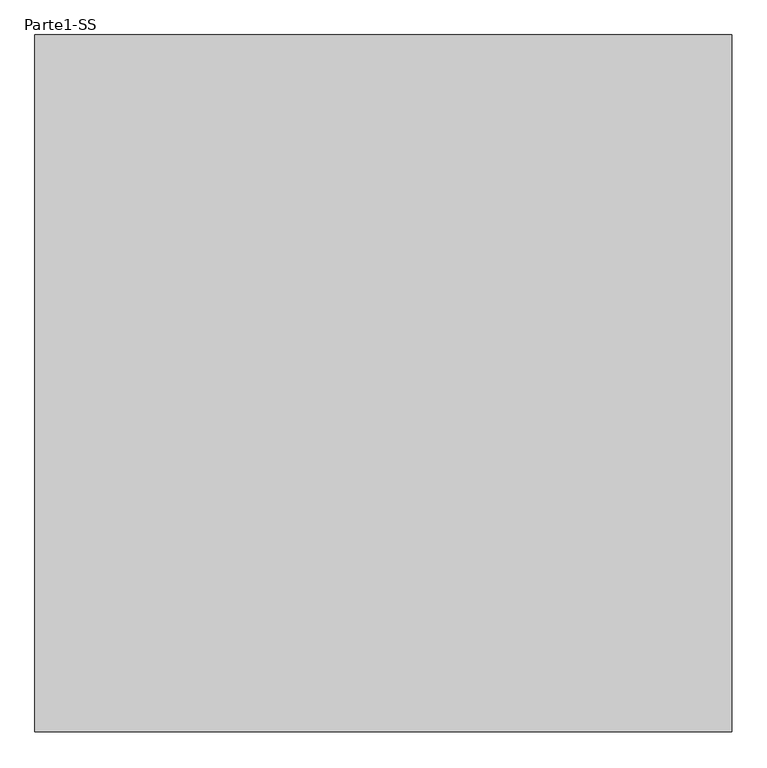
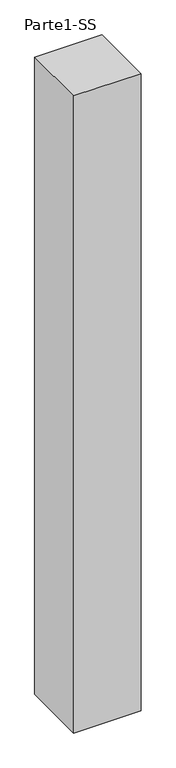
"""IFC4 building model written with IfcOpenShell, lengths in millimetres: proxy geometry, Parte1-SS."""

from ifc_helpers import new_model, si_unit, frame, origin, place, context, project, spatial, polyline, outline, extrude, source, transform, mapped, element, save


def parte1_ss_2182020b(model_context):
    return source(origin(), model_context, "Body", "SweptSolid", [
        extrude(outline(polyline([(2000.0, 2000.0), (2000.0, 0.0), (0.0, 0.0), (0.0, 2000.0), (2000.0, 2000.0)])), frame((0.0, 0.0, 10000.0), z_axis=(0.0, 0.0, 1.0), x_axis=(1.0, 0.0, 0.0)), (0.0, 0.0, 1.0), 20000.0),
    ])


if __name__ == "__main__":
    model = new_model("IFC4")
    model_context = context("Model", 3, world=origin())
    ifc_project = project(units=[si_unit("LENGTHUNIT", "METRE", prefix="MILLI")], contexts=[model_context])
    site = spatial("IfcSite", under=ifc_project)
    building = spatial("IfcBuilding", under=site)
    placement = place(None, origin())
    parte1_ss_shape = parte1_ss_2182020b(model_context)
    element("IfcBuildingElementProxy", 1, Name="Parte1-SS", ObjectType="Parte1-SS", at=placement, inside=building, context=model_context, shape_type="MappedRepresentation", body=[
        mapped(parte1_ss_shape, transform((0.0, 0.0, 0.0), x_axis=(1.0, 0.0, 0.0), y_axis=(0.0, 1.0, 0.0), z_axis=(0.0, 0.0, 1.0))),
    ])
    save(model, "model.ifc")
